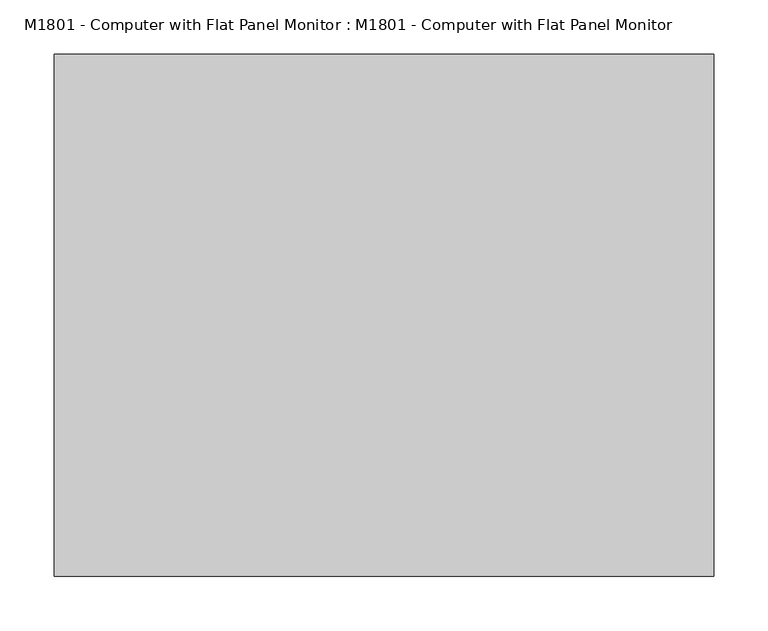
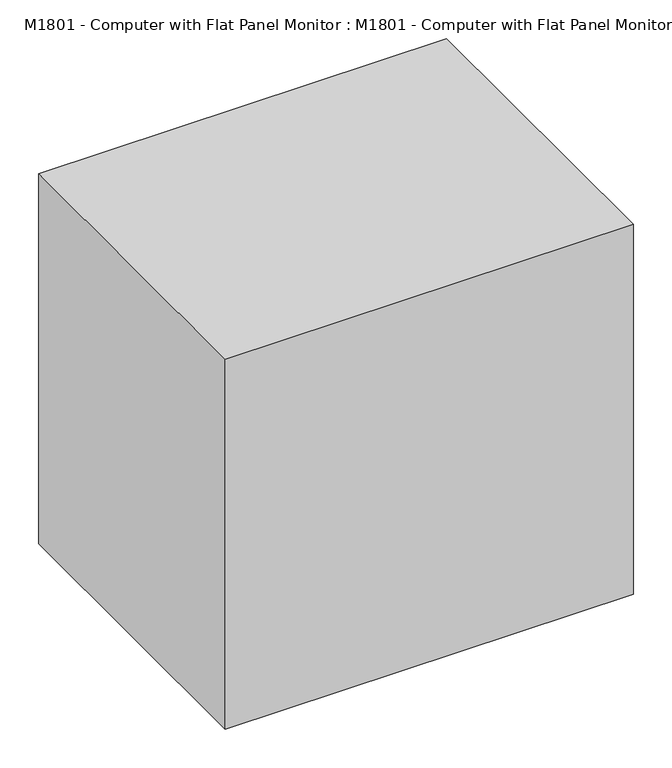
"""IFC4 building model written with IfcOpenShell, lengths in millimetres: proxy geometry, M1801 - Computer with Flat Panel Monitor : M1801 - Computer with Flat Panel Monitor."""

from ifc_helpers import new_model, si_unit, frame, origin, origin_with_axes, place, context, project, spatial, polyline, outline, extrude, faceted_brep, source, transform, mapped, element, save


def m1801_computer_with_flat_panel_monitor_m1801_computer_with_1114ead5(model_context):
    return source(origin(), model_context, "Body", "SolidModel", [
        faceted_brep([(203.2, -133.2656905, 431.8), (203.2, -82.6343095, 431.8), (-203.2, -82.6343095, 431.8), (-203.2, -133.2656905, 431.8), (203.2, -133.2656905, 152.4), (-203.2, -133.2656905, 152.4), (-203.2, -82.6343095, 152.4), (203.2, -82.6343095, 152.4), (-190.5, -82.6343095, 419.1), (-190.5, -82.6343095, 165.1), (190.5, -82.6343095, 165.1), (190.5, -82.6343095, 419.1), (190.5, -87.4205119, 419.1), (-190.5, -87.4205119, 419.1), (190.5, -87.4205119, 165.1), (-190.5, -87.4205119, 165.1)], [[[0, 1, 2, 3]], [[4, 5, 6, 7]], [[3, 5, 4, 0]], [[2, 6, 5, 3]], [[1, 7, 6, 2], [8, 9, 10, 11]], [[0, 4, 7, 1]], [[12, 13, 8, 11]], [[14, 10, 9, 15]], [[12, 14, 15, 13]], [[13, 15, 9, 8]], [[11, 10, 14, 12]]]),
        faceted_brep([(109.1218395, -34.0676261, 25.4), (109.1218395, -215.9, 25.4), (109.1218395, -215.9, 0.0), (109.1218395, -34.0676261, 0.0), (-109.1218395, -215.9, 25.4), (-109.1218395, -34.0676261, 25.4), (-109.1218395, -34.0676261, 0.0), (-109.1218395, -215.9, 0.0), (36.9685686, -196.7656905, 31.75), (-36.9685686, -196.7656905, 31.75), (-36.9685686, -196.7656905, 25.4), (36.9685686, -196.7656905, 25.4), (36.9685686, -196.7656905, 292.1), (-36.9685686, -196.7656905, 292.1), (36.9685686, -133.2656905, 292.1), (-36.9685686, -133.2656905, 292.1), (36.9685686, -133.2656905, 241.3), (-36.9685686, -133.2656905, 241.3), (36.9685686, -171.3656905, 241.3), (-36.9685686, -171.3656905, 241.3), (36.9685686, -171.3656905, 25.4), (-36.9685686, -171.3656905, 25.4)], [[[0, 1, 2, 3]], [[4, 5, 6, 7]], [[8, 9, 10, 11]], [[12, 13, 9, 8]], [[14, 15, 13, 12]], [[16, 17, 15, 14]], [[18, 19, 17, 16]], [[20, 21, 19, 18]], [[0, 5, 4, 1], [11, 10, 21, 20]], [[3, 6, 5, 0]], [[2, 7, 6, 3]], [[1, 4, 7, 2]], [[20, 18, 16, 14, 12, 8, 11]], [[10, 9, 13, 15, 17, 19, 21]]]),
        extrude(outline(polyline([(171.45, 0.0), (19.05, 0.0), (19.05, 25.4), (171.45, 12.7), (171.45, 0.0)])), frame((-203.2, 0.0, 0.0), z_axis=(1.0, 0.0, 0.0), x_axis=(0.0, 1.0, 0.0)), (0.0, 0.0, 1.0), 406.4),
        extrude(outline(polyline([(304.8, -241.3), (-304.8, -241.3), (-304.8, 241.3), (304.8, 241.3), (304.8, -241.3)])), origin_with_axes(), (0.0, 0.0, 1.0), 584.2),
    ])


if __name__ == "__main__":
    model = new_model("IFC4")
    model_context = context("Model", 3, world=origin())
    ifc_project = project(units=[si_unit("LENGTHUNIT", "METRE", prefix="MILLI")], contexts=[model_context])
    site = spatial("IfcSite", under=ifc_project)
    building = spatial("IfcBuilding", under=site)
    placement = place(None, origin())
    m1801_computer_with_flat_panel_monitor_m1801_computer_with_shape = m1801_computer_with_flat_panel_monitor_m1801_computer_with_1114ead5(model_context)
    element("IfcBuildingElementProxy", 1, Name="M1801 - Computer with Flat Panel Monitor : M1801 - Computer with Flat Panel Monitor", ObjectType="M1801 - Computer with Flat Panel Monitor : M1801 - Computer with Flat Panel Monitor", at=placement, inside=building, context=model_context, shape_type="MappedRepresentation", body=[
        mapped(m1801_computer_with_flat_panel_monitor_m1801_computer_with_shape, transform((0.0, 0.0, 0.0), x_axis=(1.0, 0.0, 0.0), y_axis=(0.0, 1.0, 0.0), z_axis=(0.0, 0.0, 1.0))),
    ])
    save(model, "model.ifc")
